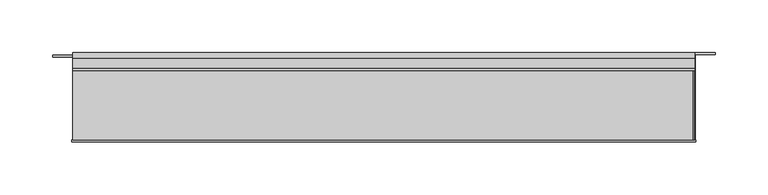
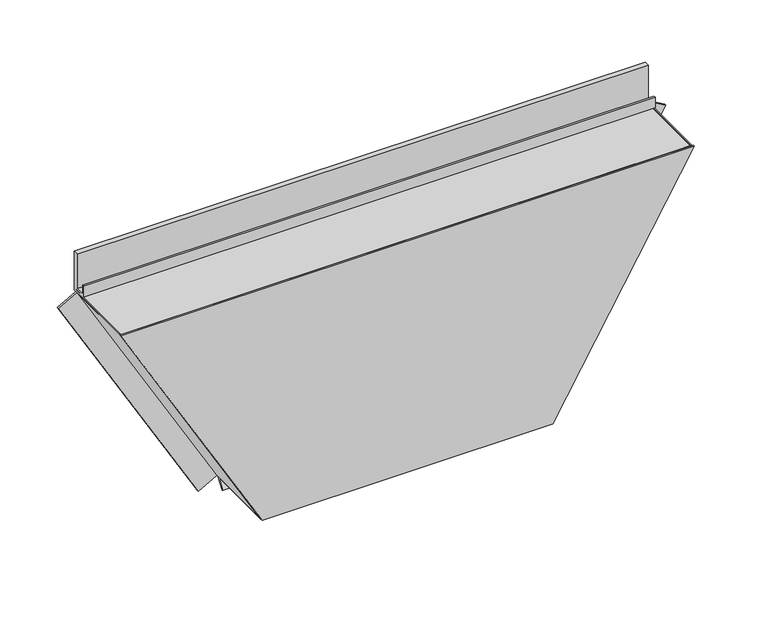
"""IFC4 building model written with IfcOpenShell, lengths in millimetres: proxy geometry."""

from ifc_helpers import new_model, si_unit, frame, origin, place, context, project, spatial, polyline, outline, extrude, source, transform, mapped, element, save


def generic_models_ee2301fe(model_context):
    return source(origin(), model_context, "Body", "SweptSolid", [
        extrude(outline(polyline([(-78.8, 0.0), (0.0, 0.0), (0.0, 22.0), (2.0, 22.0), (2.0, 0.0), (2.0, -2.0), (-78.8, -2.0), (-78.8, 0.0)])), frame((-0.001605, -4.2, 0.0027799), z_axis=(-0.49999732699885757, 0.0, 0.8660269470368677), x_axis=(0.0, 1.0, 0.0)), (0.0, 0.0, 1.0), 289.2487286),
        extrude(outline(polyline([(0.0, 0.0), (2.0, 0.0), (2.0, -83.0), (0.0, -83.0), (-22.0, -83.0), (-22.0, -81.0), (0.0, -81.0), (0.0, 0.0)])), frame((300.221605, -83.0, 0.0027799), z_axis=(0.49999732699886035, 0.0, 0.8660269470368661), x_axis=(-0.8660269470368661, 0.0, 0.49999732699886035)), (0.0, 0.0, 1.0), 290.4034641),
        extrude(outline(polyline([(-83.0, 250.5), (-83.0, 252.5), (-2.0, 252.5), (-2.0, 291.0), (-3.0, 291.0), (-3.0, 253.5), (-17.1, 253.5), (-17.1, 265.3), (-15.1, 265.3), (-15.1, 255.5), (-5.0, 255.5), (-5.0, 293.0), (0.0, 293.0), (0.0, 250.5), (-83.0, 250.5)])), frame((-144.6251961, 0.0, 0.0), z_axis=(1.0, 0.0, 0.0), x_axis=(0.0, 1.0, 0.0)), (0.0, 0.0, 1.0), 589.4704076),
        extrude(outline(polyline([(-8.1635024, 0.0), (-83.0, 0.0), (-83.0, 2.0), (-5.6, 2.0), (-5.6, 0.1740539), (-13.4221074, -10.9961152), (-15.0603652, -9.8488963), (-8.1635024, 0.0)])), frame((0.0, 0.0, 0.0), z_axis=(1.0, 0.0, 0.0), x_axis=(0.0, 1.0, 0.0)), (0.0, 0.0, 1.0), 300.22),
        extrude(outline(polyline([(252.5, -145.7799038), (0.0, 0.0), (0.0, 300.22), (252.5, 445.9999038), (252.5, -145.7799038)])), frame((0.0, -85.0, 0.0), z_axis=(0.0, 1.0, 0.0), x_axis=(0.0, 0.0, 1.0)), (0.0, 0.0, 1.0), 2.0),
    ])


if __name__ == "__main__":
    model = new_model("IFC4")
    model_context = context("Model", 3, world=origin())
    ifc_project = project(units=[si_unit("LENGTHUNIT", "METRE", prefix="MILLI")], contexts=[model_context])
    site = spatial("IfcSite", under=ifc_project)
    building = spatial("IfcBuilding", under=site)
    placement = place(None, origin())
    generic_models_shape = generic_models_ee2301fe(model_context)
    element("IfcBuildingElementProxy", 1, Name="Generic Models", at=placement, inside=building, context=model_context, shape_type="MappedRepresentation", body=[
        mapped(generic_models_shape, transform((0.0, 0.0, 0.0), x_axis=(1.0, 0.0, 0.0), y_axis=(0.0, 1.0, 0.0), z_axis=(0.0, 0.0, 1.0))),
    ])
    save(model, "model.ifc")
